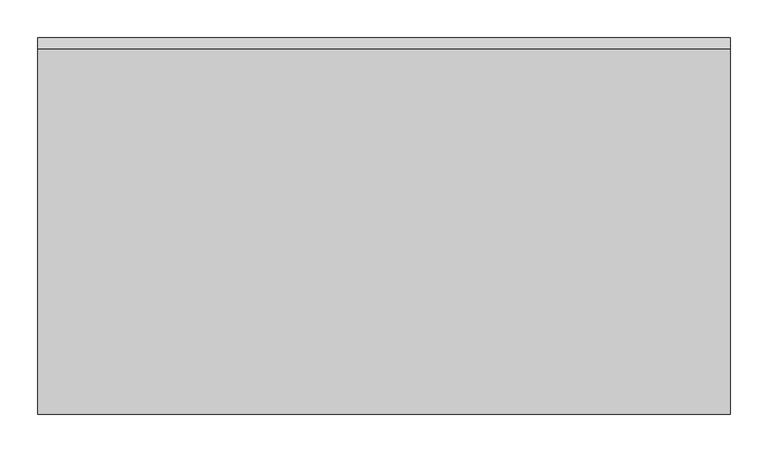
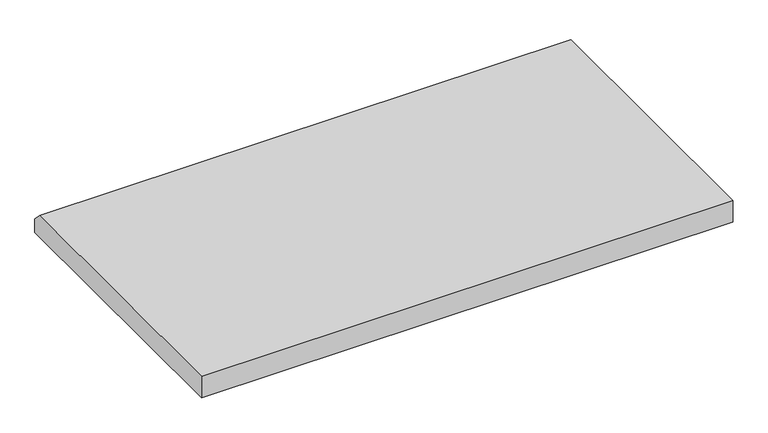
"""IFC4 building model written with IfcOpenShell, lengths in millimetres: proxy geometry."""

from ifc_helpers import new_model, si_unit, frame, origin, place, context, project, spatial, polyline, outline, extrude, source, transform, mapped, element, save


def generic_models_e657f5d8(model_context):
    return source(origin(), model_context, "Body", "SweptSolid", [
        extrude(outline(polyline([(214.9837134, 100.0), (214.9837134, 140.0), (699.9837134, 140.0), (714.9837134, 125.0), (714.9837134, 100.0), (214.9837134, 100.0)])), frame((321.4096953, 0.0, 0.0), z_axis=(1.0, 0.0, 0.0), x_axis=(0.0, 1.0, 0.0)), (0.0, 0.0, 1.0), 920.0),
    ])


if __name__ == "__main__":
    model = new_model("IFC4")
    model_context = context("Model", 3, world=origin())
    ifc_project = project(units=[si_unit("LENGTHUNIT", "METRE", prefix="MILLI")], contexts=[model_context])
    site = spatial("IfcSite", under=ifc_project)
    building = spatial("IfcBuilding", under=site)
    placement = place(None, origin())
    generic_models_shape = generic_models_e657f5d8(model_context)
    element("IfcBuildingElementProxy", 1, Name="Generic Models", at=placement, inside=building, context=model_context, shape_type="MappedRepresentation", body=[
        mapped(generic_models_shape, transform((0.0, 0.0, 0.0), x_axis=(1.0, 0.0, 0.0), y_axis=(0.0, 1.0, 0.0), z_axis=(0.0, 0.0, 1.0))),
    ])
    save(model, "model.ifc")
